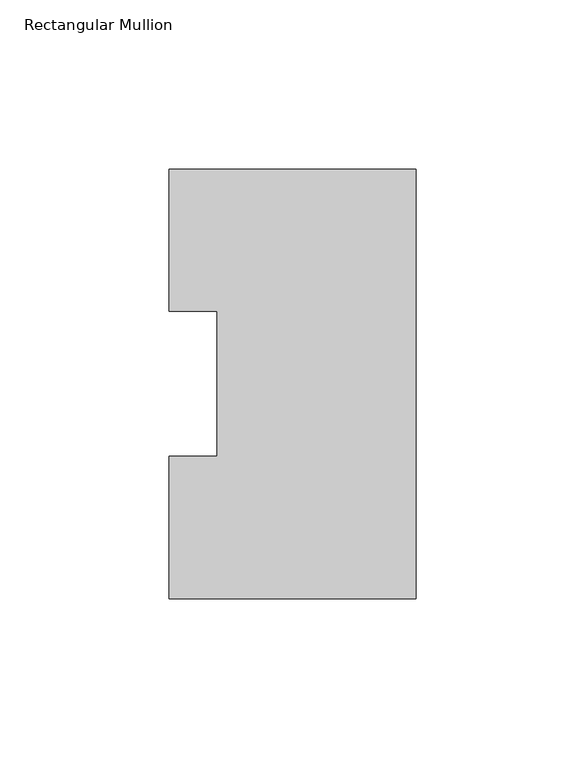
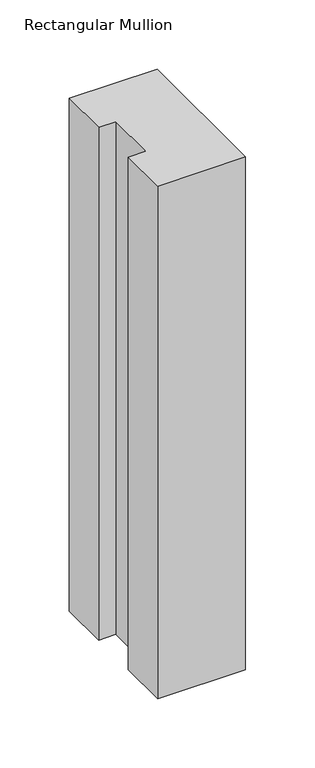
"""IFC4 building model written with IfcOpenShell, lengths in millimetres: member geometry, Rectangular Mullion."""

import ifcopenshell
import ifcopenshell.guid

model = None  # the IFC model being written
_history = None  # IfcOwnerHistory: only IFC2X3 demands one
_inside = {}  # id of a spatial element -> (the spatial element, [elements in it])
_under = {}  # id of a project, library or spatial element -> (it, [spatial elements below it])
_declared = {}  # id of a project -> (the project, [libraries it declares])
_typed = {}  # id of a type object -> (the type object, [elements of that type])
_made_of = {}  # id of a material, layer set ... -> (it, [elements and type objects made of it])


def new_model(schema):
    """Start an empty IFC model of exactly this schema.

    Asked for "IFC4X3", IfcOpenShell would pick the latest addendum, in which some entities
    have other attributes; the version numbers below select the first issue.
    IFC2X3 requires an IfcOwnerHistory on every rooted entity: one is made here for all.
    """
    global model, _history
    if schema == "IFC4X3":
        model = ifcopenshell.file(schema_version=(4, 3, 0, 0))
    else:
        model = ifcopenshell.file(schema=schema)
    _inside.clear()
    _under.clear()
    _declared.clear()
    _typed.clear()
    _made_of.clear()
    _history = None
    if model.schema == "IFC2X3":
        org = make("IfcOrganization", Name="unknown")
        user = make(
            "IfcPersonAndOrganization",
            ThePerson=make("IfcPerson", FamilyName="unknown"),
            TheOrganization=org,
        )
        app = make(
            "IfcApplication",
            ApplicationDeveloper=org,
            Version="unknown",
            ApplicationFullName="unknown",
            ApplicationIdentifier="unknown",
        )
        _history = make(
            "IfcOwnerHistory",
            OwningUser=user,
            OwningApplication=app,
            ChangeAction="ADDED",
            CreationDate=0,
        )
    return model


def make(cls, **values):
    """One entity of the class cls with the attributes given. An attribute that is None is left unset."""
    return model.create_entity(
        cls, **{name: value for name, value in values.items() if value is not None}
    )


def rooted(cls, **values):
    """An entity with a GlobalId (a new one), such as an element, a storey or a relation."""
    return make(cls, GlobalId=ifcopenshell.guid.new(), OwnerHistory=_history, **values)


def si_unit(unit_type, name, prefix=None):
    """IfcSIUnit, for example si_unit("LENGTHUNIT", "METRE", prefix="MILLI")."""
    return make("IfcSIUnit", UnitType=unit_type, Prefix=prefix, Name=name)


def assignment(units):
    """IfcUnitAssignment: the units of a project."""
    return None if units is None else make("IfcUnitAssignment", Units=units)


def point(xyz):
    """IfcCartesianPoint."""
    return None if xyz is None else make("IfcCartesianPoint", Coordinates=xyz)


def direction(xyz):
    """IfcDirection."""
    return None if xyz is None else make("IfcDirection", DirectionRatios=xyz)


def frame(location, z_axis=None, x_axis=None):
    """IfcAxis2Placement3D, a coordinate frame: its origin and axes. An axis left out is left unset."""
    return make(
        "IfcAxis2Placement3D",
        Location=point(location),
        Axis=direction(z_axis),
        RefDirection=direction(x_axis),
    )


def origin():
    """The frame at (0, 0, 0) with its axes left unset."""
    return frame((0.0, 0.0, 0.0))


def place(relative_to, where):
    """IfcLocalPlacement: puts the frame where relative to a parent placement (None: the world)."""
    return make(
        "IfcLocalPlacement", PlacementRelTo=relative_to, RelativePlacement=where
    )


def context(
    kind, dimensions, precision=None, world=None, true_north=None, identifier=None
):
    """IfcGeometricRepresentationContext, for example the 3D "Model" context."""
    return make(
        "IfcGeometricRepresentationContext",
        ContextIdentifier=identifier,
        ContextType=kind,
        CoordinateSpaceDimension=dimensions,
        Precision=precision,
        WorldCoordinateSystem=world,
        TrueNorth=true_north,
    )


def project(units=None, contexts=None):
    """IfcProject with its units and contexts."""
    return rooted(
        "IfcProject",
        Name="project",
        RepresentationContexts=contexts,
        UnitsInContext=assignment(units),
    )


def spatial(cls, under=None, at=None, **own):
    """A site, building, storey or space (cls), placed at a placement, below another one or the project."""
    s = rooted(cls, ObjectPlacement=at, **own)
    if under is not None:
        _under.setdefault(under.id(), (under, []))[1].append(s)
    return s


def polyline(points):
    """IfcPolyline through the points."""
    return make("IfcPolyline", Points=[point(p) for p in points])


def outline(outer, holes=None, kind="AREA"):
    """IfcArbitraryClosedProfileDef: a profile drawn as a closed curve; with holes, ...WithVoids."""
    if holes is None:
        return make("IfcArbitraryClosedProfileDef", ProfileType=kind, OuterCurve=outer)
    return make(
        "IfcArbitraryProfileDefWithVoids",
        ProfileType=kind,
        OuterCurve=outer,
        InnerCurves=holes,
    )


def extrude(swept, where, along, depth):
    """IfcExtrudedAreaSolid: the profile swept, set in the frame where, extruded along a direction by depth."""
    return make(
        "IfcExtrudedAreaSolid",
        SweptArea=swept,
        Position=where,
        ExtrudedDirection=direction(along),
        Depth=depth,
    )


def shape(context_of_items, identifier, shape_type, items):
    """IfcShapeRepresentation: the items that make up one representation, for example the "Body"."""
    return make(
        "IfcShapeRepresentation",
        ContextOfItems=context_of_items,
        RepresentationIdentifier=identifier,
        RepresentationType=shape_type,
        Items=items,
    )


def source(mapping_origin, context_of_items, identifier, shape_type, items):
    """IfcRepresentationMap: a shape defined once, which mapped items show again and again."""
    return make(
        "IfcRepresentationMap",
        MappingOrigin=mapping_origin,
        MappedRepresentation=shape(context_of_items, identifier, shape_type, items),
    )


def transform(
    local_origin,
    x_axis=None,
    y_axis=None,
    z_axis=None,
    scale=None,
    scale2=None,
    scale3=None,
    uniform=True,
):
    """IfcCartesianTransformationOperator3D, or its non-uniform kind. x_axis, y_axis, z_axis: its Axis1, 2, 3."""
    if uniform:
        return make(
            "IfcCartesianTransformationOperator3D",
            Axis1=direction(x_axis),
            Axis2=direction(y_axis),
            LocalOrigin=point(local_origin),
            Scale=scale,
            Axis3=direction(z_axis),
        )
    return make(
        "IfcCartesianTransformationOperator3DnonUniform",
        Axis1=direction(x_axis),
        Axis2=direction(y_axis),
        LocalOrigin=point(local_origin),
        Scale=scale,
        Axis3=direction(z_axis),
        Scale2=scale2,
        Scale3=scale3,
    )


def mapped(mapping_source, mapping_target):
    """IfcMappedItem: shows the shape of a source again, moved by a transform."""
    return make(
        "IfcMappedItem", MappingSource=mapping_source, MappingTarget=mapping_target
    )


def made_of(thing, what):
    """Note that an element or type object is made of a material, layer set ...; save() writes the relation."""
    if what is not None:
        _made_of.setdefault(what.id(), (what, []))[1].append(thing)
    return thing


def element(
    cls,
    number,
    at=None,
    inside=None,
    cuts=None,
    type_object=None,
    material=None,
    context=None,
    identifier="Body",
    shape_type=None,
    held_by="IfcProductDefinitionShape",
    body=None,
    shapes=None,
    **own,
):
    """One element of the class cls, such as IfcWall. Its Tag is "e" and its number.

    at: its placement. inside: the storey or other place that contains it. cuts: it is an
    opening in that element (IfcRelVoidsElement). A single representation is given by context,
    identifier, shape_type and body (its items); several are given by shapes. held_by: the class
    of the entity that holds the representations. save() writes the other relations.
    """
    e = rooted(cls, Tag="e%d" % number, ObjectPlacement=at, **own)
    if body is not None:
        shapes = [shape(context, identifier, shape_type, body)]
    if shapes is not None:
        e.Representation = make(held_by, Representations=shapes)
    if inside is not None:
        _inside.setdefault(inside.id(), (inside, []))[1].append(e)
    if cuts is not None:
        rooted(
            "IfcRelVoidsElement", RelatingBuildingElement=cuts, RelatedOpeningElement=e
        )
    if type_object is not None:
        _typed.setdefault(type_object.id(), (type_object, []))[1].append(e)
    return made_of(e, material)


def aggregate(whole, parts):
    """IfcRelAggregates: a whole, such as a stair, and the parts it consists of."""
    return rooted("IfcRelAggregates", RelatingObject=whole, RelatedObjects=parts)


def save(model, path):
    """Write the relations noted so far, then the file.

    IfcRelAggregates (storeys below a building ...), IfcRelContainedInSpatialStructure (elements
    in a storey), IfcRelDefinesByType, IfcRelAssociatesMaterial and IfcRelDeclares: one each for
    every whole, place, type object, material and project.
    """
    for whole, parts in _under.values():
        aggregate(whole, parts)
    for where, things in _inside.values():
        rooted(
            "IfcRelContainedInSpatialStructure",
            RelatedElements=things,
            RelatingStructure=where,
        )
    for kind, things in _typed.values():
        rooted("IfcRelDefinesByType", RelatedObjects=things, RelatingType=kind)
    for what, things in _made_of.values():
        rooted("IfcRelAssociatesMaterial", RelatedObjects=things, RelatingMaterial=what)
    for by, libraries in _declared.values():
        rooted("IfcRelDeclares", RelatingContext=by, RelatedDefinitions=libraries)
    model.write(path)


def rectangular_mullion_4eb8fd08(model_context):
    return source(origin(), model_context, "Body", "SweptSolid", [
        extrude(outline(polyline([(0.0, 127.00635), (0.0, 0.00635), (-73.025, 0.00635), (-73.025, 42.08145), (-58.7375, 42.08145), (-58.7375, 84.93125), (-73.025, 84.93125), (-73.025, 127.00635), (0.0, 127.00635)])), frame((0.0, 0.0, -450.85), z_axis=(0.0, 0.0, 1.0), x_axis=(1.0, 0.0, 0.0)), (0.0, 0.0, 1.0), 450.85),
    ])


if __name__ == "__main__":
    model = new_model("IFC4")
    model_context = context("Model", 3, world=origin())
    ifc_project = project(units=[si_unit("LENGTHUNIT", "METRE", prefix="MILLI")], contexts=[model_context])
    site = spatial("IfcSite", under=ifc_project)
    building = spatial("IfcBuilding", under=site)
    placement = place(None, origin())
    rectangular_mullion_shape = rectangular_mullion_4eb8fd08(model_context)
    element("IfcMember", 1, ObjectType="Rectangular Mullion", at=placement, inside=building, context=model_context, shape_type="MappedRepresentation", body=[
        mapped(rectangular_mullion_shape, transform((0.0, 0.0, 0.0), x_axis=(1.0, 0.0, 0.0), y_axis=(0.0, 1.0, 0.0), z_axis=(0.0, 0.0, 1.0))),
    ])
    save(model, "model.ifc")
